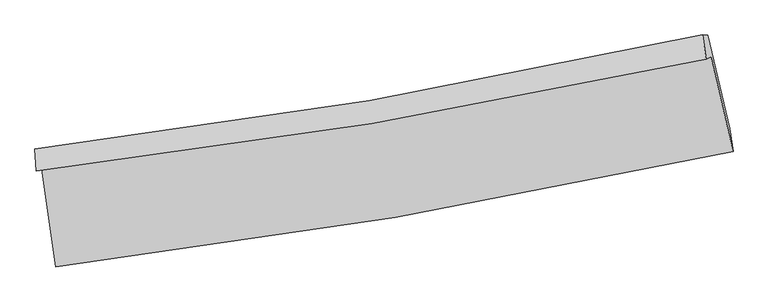
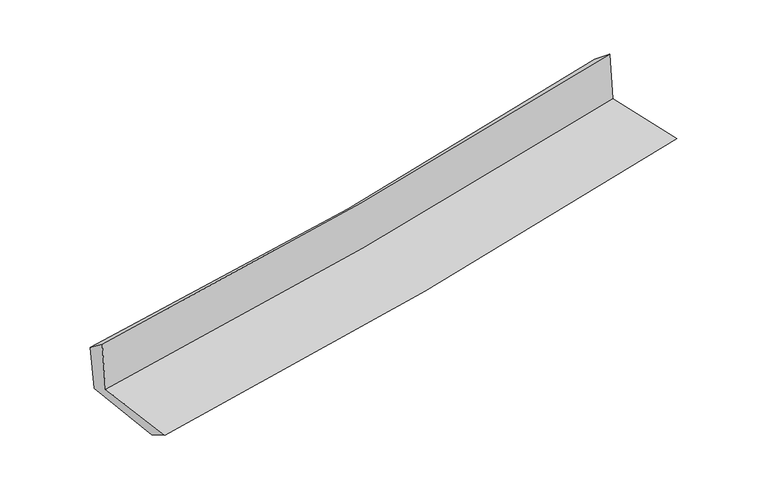
"""IFC4 building model written with IfcOpenShell, lengths in millimetres: proxy geometry."""

from ifc_helpers import new_model, si_unit, frame, origin, place, context, project, spatial, source, transform, mapped, element, save
from ifc_brep_helpers import plane_surface, spline_curve, spline_surface, advanced_brep


def generic_models_f5287974(model_context):
    return source(origin(), model_context, "Body", "AdvancedBrep", [
        advanced_brep(
        [(-2308.8535047, -1865.9420725, 1666.0461806), (-2214.1116951, -2536.2032886, 1645.787929), (2400.2722504, -1747.010377, 2099.7678846), (2251.9928738, -1101.6626958, 2103.7384788), (-2344.1500489, -1882.0390603, 2072.8732736), (2216.6165138, -1117.7687155, 2510.318695), (-2354.77348, -1731.1806082, 1961.4296218), (2191.9455556, -952.7587126, 2373.5139957), (-2321.4880194, -1726.5316841, 1593.6011908), (2226.9472787, -956.2274705, 2017.5196742), (-2228.0404883, -2379.0398365, 1560.7064162), (2376.6271447, -1590.7793115, 1973.2252873)],
        [
            (0, 1),
            (1, 2, spline_curve(3, [(-2214.1116951, -2536.2032886, 1645.787929), (-1440.262586628, -2441.284370922, 1720.353636865), (-669.601202551, -2328.233858709, 1795.388287203), (868.553478638, -2065.321419643, 1946.711011273), (1636.02007623, -1915.30762796, 2023.003012699), (2400.2722504, -1747.010377, 2099.7678846)], [4, 2, 4], [0.0, 7.6543339763956935, 15.340656302737246])),
            (2, 3),
            (3, 0, spline_curve(3, [(2251.9928738, -1101.6626958, 2103.7384788), (1496.317187499, -1267.235954609, 2033.13698899), (737.609981273, -1413.805795112, 1961.283223989), (-782.697325147, -1668.407742485, 1815.375389555), (-1544.272244926, -1776.597694248, 1741.331722188), (-2308.8535047, -1865.9420725, 1666.0461806)], [4, 2, 4], [0.0, 7.6863223263415525, 15.340656302737246])),
            (4, 0),
            (3, 5),
            (5, 4, spline_curve(3, [(2216.6165138, -1117.7687155, 2510.318695), (1460.947001277, -1283.342890679, 2439.837582966), (702.249554734, -1429.912432608, 2368.064540155), (-818.031116748, -1684.511359088, 2222.23866868), (-1579.589190915, -1792.698599121, 2148.196571233), (-2344.1500489, -1882.0390603, 2072.8732736)], [4, 2, 4], [0.0, 7.638510302641497, 15.245231235770273])),
            (6, 4),
            (5, 7),
            (7, 6, spline_curve(3, [(2191.9455556, -952.7587126, 2373.5139957), (1440.176381815, -1122.099593197, 2295.803112329), (684.600552294, -1271.732779824, 2222.544965235), (-831.004078392, -1531.043050373, 2085.220492076), (-1591.001260427, -1640.883829146, 2021.11718159), (-2354.77348, -1731.1806082, 1961.4296218)], [4, 2, 4], [0.0, 7.627207874150593, 15.222673416373212])),
            (8, 6),
            (7, 9),
            (9, 8, spline_curve(3, [(2226.9472787, -956.2274705, 2017.5196742), (1473.451699217, -1121.820393058, 1947.215773991), (716.870847975, -1268.90421037, 1876.663103169), (-799.29987805, -1525.5185428, 1735.354875671), (-1558.864126109, -1635.202796479, 1664.601385515), (-2321.4880194, -1726.5316841, 1593.6011908)], [4, 2, 4], [0.0, 7.617021508391636, 15.202343077695298])),
            (10, 8),
            (9, 11),
            (11, 10, spline_curve(3, [(2376.6271447, -1590.7793115, 1973.2252873), (1613.328431575, -1759.063194132, 1910.541939713), (847.150643207, -1908.99229227, 1844.745533662), (-687.762481816, -2171.593343189, 1707.213385693), (-1456.473904534, -2284.417753573, 1635.503501612), (-2228.0404883, -2379.0398365, 1560.7064162)], [4, 2, 4], [0.0, 7.664892694208736, 15.297886222679974])),
            (1, 10),
            (11, 2),
        ],
        [
            spline_surface(3, 3, [[(-2308.8535047, -1865.9420725, 1666.0461806), (-1544.272245008, -1776.597694358, 1741.331722062), (-782.697325128, -1668.407742508, 1815.375389622), (737.609981253, -1413.805795088, 1961.283223921), (1496.317187494, -1267.235954713, 2033.136989084), (2251.9928738, -1101.6626958, 2103.7384788)], [(-2277.272901496, -2089.362477867, 1659.29343006), (-1509.60235891, -1998.159919896, 1734.339026964), (-744.998617623, -1888.349781244, 1808.713022139), (781.257813712, -1630.977669924, 1956.425819724), (1542.884817095, -1483.259845808, 2029.758996985), (2301.419332647, -1316.778589539, 2102.4149474)], [(-2245.692298304, -2312.782883233, 1652.54067954), (-1474.932472823, -2219.722145433, 1727.346331885), (-707.299910083, -2108.291820001, 1802.050654643), (824.905646207, -1848.14954478, 1951.568415514), (1589.452446755, -1699.283736887, 2026.381004886), (2350.845791553, -1531.894483261, 2101.091416)], [(-2214.1116951, -2536.2032886, 1645.787929), (-1440.262586725, -2441.284370972, 1720.353636787), (-669.601202579, -2328.233858736, 1795.38828716), (868.553478666, -2065.321419615, 1946.711011317), (1636.020076355, -1915.307627982, 2023.003012787), (2400.2722504, -1747.010377, 2099.7678846)]], [4, 4], [4, 2, 4], [0.0, 2.1887842275879557], [0.0, 7.6543339763956935, 15.340656302737246]),
            spline_surface(3, 3, [[(-2344.1500489, -1882.0390603, 2072.8732736), (-1579.589190849, -1792.698599036, 2148.196571188), (-818.031116658, -1684.511359185, 2222.238668715), (702.249554644, -1429.912432511, 2368.06454012), (1460.947001364, -1283.342890727, 2439.83758307), (2216.6165138, -1117.7687155, 2510.318695)], [(-2332.384534188, -1876.673397717, 1937.264242616), (-1567.816875591, -1787.331630828, 2012.574954829), (-806.253186165, -1679.143486959, 2086.617575667), (714.036363498, -1424.54355337, 2232.470768036), (1472.737063413, -1277.973912052, 2304.270718434), (2228.408633806, -1112.400042263, 2374.791956293)], [(-2320.619019412, -1871.307735083, 1801.655211584), (-1556.044560267, -1781.964662567, 1876.953338421), (-794.475255621, -1673.775614734, 1950.99648267), (725.8231724, -1419.174674229, 2096.876996004), (1484.527125445, -1272.604933388, 2168.703853719), (2240.200753794, -1107.031369037, 2239.265217507)], [(-2308.8535047, -1865.9420725, 1666.0461806), (-1544.272245008, -1776.597694358, 1741.331722062), (-782.697325128, -1668.407742508, 1815.375389622), (737.609981253, -1413.805795088, 1961.283223921), (1496.317187494, -1267.235954713, 2033.136989084), (2251.9928738, -1101.6626958, 2103.7384788)]], [4, 4], [4, 2, 4], [0.0, 1.340788349685829], [0.0, 7.606720933128776, 15.245231235770273]),
            spline_surface(3, 3, [[(-2354.77348, -1731.1806082, 1961.4296218), (-1591.00126055, -1640.88382908, 2021.117181463), (-831.004078282, -1531.04305039, 2085.220492168), (684.600552183, -1271.732779807, 2222.544965143), (1440.176381721, -1122.099593306, 2295.803112401), (2191.9455556, -952.7587126, 2373.5139957)], [(-2351.232336276, -1781.466758881, 1998.57750574), (-1587.197237292, -1691.48875238, 2063.476978045), (-826.679757728, -1582.199153317, 2130.89321768), (690.483553016, -1324.459330703, 2271.051490131), (1447.09992159, -1175.847359116, 2343.814602623), (2200.169208322, -1007.762046903, 2419.115562133)], [(-2347.691192624, -1831.752909619, 2035.72538966), (-1583.393214107, -1742.093675736, 2105.836774606), (-822.355437212, -1633.355256258, 2176.565943204), (696.366553811, -1377.185881614, 2319.558015132), (1454.023461495, -1229.595124917, 2391.826092847), (2208.392861078, -1062.765381197, 2464.717128567)], [(-2344.1500489, -1882.0390603, 2072.8732736), (-1579.589190849, -1792.698599036, 2148.196571188), (-818.031116658, -1684.511359185, 2222.238668715), (702.249554644, -1429.912432511, 2368.06454012), (1460.947001364, -1283.342890727, 2439.83758307), (2216.6165138, -1117.7687155, 2510.318695)]], [4, 4], [4, 2, 4], [0.0, 0.691944501804794], [0.0, 7.595465542222619, 15.222673416373212]),
            spline_surface(3, 3, [[(-2321.4880194, -1726.5316841, 1593.6011908), (-1558.864126113, -1635.20279641, 1664.601385511), (-799.299878051, -1525.518542698, 1735.354875687), (716.870847976, -1268.904210471, 1876.663103152), (1473.451699284, -1121.820393011, 1947.21577409), (2226.9472787, -956.2274705, 2017.5196742)], [(-2332.583172964, -1728.08132546, 1716.21066778), (-1569.57650429, -1637.096473961, 1783.439984142), (-809.867944795, -1527.360045279, 1851.976747848), (706.114082711, -1269.847066933, 1991.957057149), (1462.359926764, -1121.913459779, 2063.411553501), (2215.280037668, -955.07121787, 2136.184448007)], [(-2343.678326436, -1729.63096684, 1838.82014482), (-1580.288882374, -1638.99015153, 1902.278582832), (-820.436011538, -1529.20154781, 1968.598620008), (695.357317448, -1270.789923345, 2107.251011146), (1451.26815424, -1122.006526538, 2179.60733299), (2203.612796632, -953.91496523, 2254.849221893)], [(-2354.77348, -1731.1806082, 1961.4296218), (-1591.00126055, -1640.88382908, 2021.117181463), (-831.004078282, -1531.04305039, 2085.220492168), (684.600552183, -1271.732779807, 2222.544965143), (1440.176381721, -1122.099593306, 2295.803112401), (2191.9455556, -952.7587126, 2373.5139957)]], [4, 4], [4, 2, 4], [0.0, 1.1461878795290956], [0.0, 7.585321569303662, 15.202343077695298]),
            spline_surface(3, 3, [[(-2228.0404883, -2379.0398365, 1560.7064162), (-1456.473904441, -2284.417753575, 1635.503501629), (-687.762481797, -2171.593343297, 1707.213385757), (847.150643188, -1908.992292162, 1844.745533598), (1613.328431505, -1759.063194071, 1910.541939815), (2376.6271447, -1590.7793115, 1973.2252873)], [(-2259.18966531, -2161.537119058, 1571.671341067), (-1490.603978308, -2068.012767878, 1645.202796256), (-724.941613867, -1956.235076423, 1716.59388241), (803.724044799, -1695.629598257, 1855.384723458), (1566.7028541, -1546.648927044, 1922.766551238), (2326.733856036, -1379.26203116, 1987.990082932)], [(-2290.33884239, -1944.034401542, 1582.636265933), (-1524.734052246, -1851.607782107, 1654.902090884), (-762.120745981, -1740.876809573, 1725.974379035), (760.297446365, -1482.266904376, 1866.023913292), (1520.077276688, -1334.234660037, 1934.991162667), (2276.840567364, -1167.74475084, 2002.754878568)], [(-2321.4880194, -1726.5316841, 1593.6011908), (-1558.864126113, -1635.20279641, 1664.601385511), (-799.299878051, -1525.518542698, 1735.354875687), (716.870847976, -1268.904210471, 1876.663103152), (1473.451699284, -1121.820393011, 1947.21577409), (2226.9472787, -956.2274705, 2017.5196742)]], [4, 4], [4, 2, 4], [0.0, 2.1490585115207623], [0.0, 7.632993528471238, 15.297886222679974]),
            spline_surface(3, 3, [[(-2214.1116951, -2536.2032886, 1645.787929), (-1440.262586725, -2441.284370972, 1720.353636787), (-669.601202579, -2328.233858736, 1795.38828716), (868.553478666, -2065.321419615, 1946.711011317), (1636.020076355, -1915.307627982, 2023.003012787), (2400.2722504, -1747.010377, 2099.7678846)], [(-2218.754626166, -2483.815471215, 1617.427424736), (-1445.666359296, -2388.995498488, 1692.070258404), (-675.654962317, -2276.020353593, 1765.996653367), (861.419200175, -2013.211710467, 1912.722518752), (1628.45619476, -1863.226150011, 1985.515988464), (2392.390548521, -1694.933355165, 2057.587018835)], [(-2223.397557234, -2431.427653885, 1589.066920464), (-1451.07013187, -2336.706626058, 1663.786880012), (-681.708722059, -2223.80684844, 1736.60501955), (854.284921679, -1961.10200131, 1878.734026163), (1620.892313101, -1811.144672042, 1948.028964138), (2384.508846579, -1642.856333335, 2015.406153065)], [(-2228.0404883, -2379.0398365, 1560.7064162), (-1456.473904441, -2284.417753575, 1635.503501629), (-687.762481797, -2171.593343297, 1707.213385757), (847.150643188, -1908.992292162, 1844.745533598), (1613.328431505, -1759.063194071, 1910.541939815), (2376.6271447, -1590.7793115, 1973.2252873)]], [4, 4], [4, 2, 4], [0.0, 0.6042690057173152], [0.0, 7.690757047116034, 15.413654660417237]),
            plane_surface(frame((2277.4002695, -1244.3678805, 2179.6806693), z_axis=(0.9704831255535982, 0.22241091451623743, 0.09325174593416384), x_axis=(-0.0978445973363942, 0.009696643167191767, 0.9951544653386062))),
            plane_surface(frame((-2295.2362061, -2020.1560917, 1750.074102), z_axis=(-0.986427229345019, -0.1366819058493083, -0.0909910864871407), x_axis=(-0.13989666647266574, 0.9897141524158306, 0.029913529006954098))),
        ],
        [
            (0, [[1, 2, 3, 4]]),
            (1, [[5, -4, 6, 7]]),
            (2, [[8, -7, 9, 10]]),
            (3, [[11, -10, 12, 13]]),
            (4, [[14, -13, 15, 16]]),
            (5, [[17, -16, 18, -2]]),
            (6, [[-12, -9, -6, -3, -18, -15]]),
            (7, [[-1, -5, -8, -11, -14, -17]]),
        ],
    ),
    ])


if __name__ == "__main__":
    model = new_model("IFC4")
    model_context = context("Model", 3, world=origin())
    ifc_project = project(units=[si_unit("LENGTHUNIT", "METRE", prefix="MILLI")], contexts=[model_context])
    site = spatial("IfcSite", under=ifc_project)
    building = spatial("IfcBuilding", under=site)
    placement = place(None, origin())
    generic_models_shape = generic_models_f5287974(model_context)
    element("IfcBuildingElementProxy", 1, Name="Generic Models", at=placement, inside=building, context=model_context, shape_type="MappedRepresentation", body=[
        mapped(generic_models_shape, transform((0.0, 0.0, 0.0), x_axis=(1.0, 0.0, 0.0), y_axis=(0.0, 1.0, 0.0), z_axis=(0.0, 0.0, 1.0))),
    ])
    save(model, "model.ifc")
